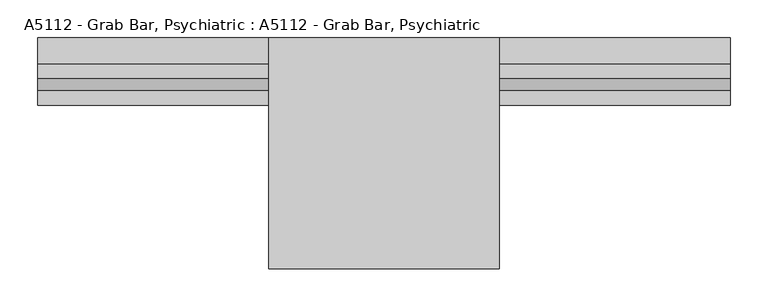
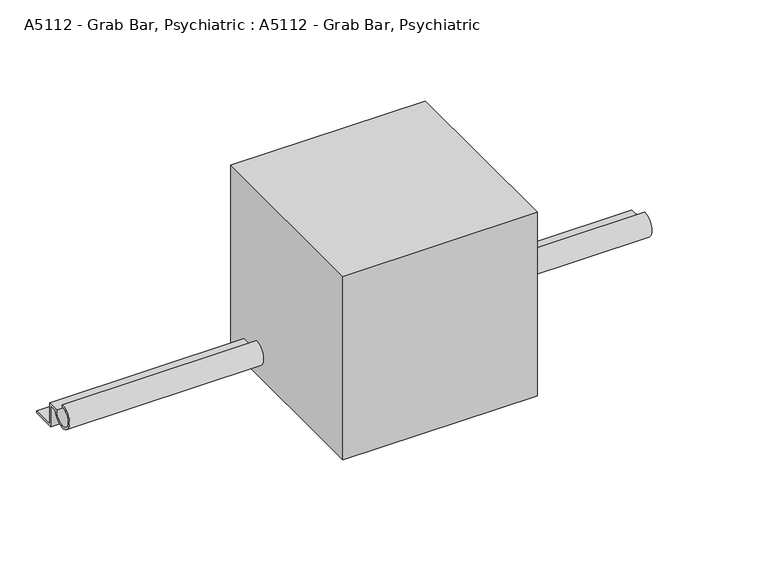
"""IFC4 building model written with IfcOpenShell, lengths in millimetres: proxy geometry, A5112 - Grab Bar, Psychiatric : A5112 - Grab Bar, Psychiatric."""

from ifc_helpers import new_model, si_unit, point, frame, frame_2d, origin, origin_with_axes, place, context, project, spatial, polyline, circle_curve, trimmed, segment, composite_curve, outline, extrude, source, transform, mapped, element, save


def a5112_grab_bar_psychiatric_a5112_grab_bar_psychiatric_7dda1819(model_context):
    return source(origin(), model_context, "Body", "SweptSolid", [
        extrude(outline(composite_curve([segment(polyline([(-38.1, 0.0), (-38.1, 34.925), (-50.8662611, 34.925)]), True, "CONTINUOUS"), segment(trimmed(circle_curve(frame_2d((-69.85, 36.5125)), 19.05), [point((-50.8662611, 34.925))], [point((-69.85, 55.5625))], False, "CARTESIAN"), True, "CONTINUOUS"), segment(polyline([(-69.85, 55.5625), (-69.85, 52.3875)]), True, "CONTINUOUS"), segment(trimmed(circle_curve(frame_2d((-69.85, 36.5125)), 15.875), [point((-69.85, 52.3875))], [point((-54.0545744, 38.1))], True, "CARTESIAN"), True, "CONTINUOUS"), segment(polyline([(-54.0545744, 38.1), (-34.925, 38.1), (-34.925, 3.175), (0.0, 3.175), (0.0, 0.0), (-38.1, 0.0)]), True, "CONTINUOUS")], self_intersect=False)), frame((-457.2, 0.0, 0.0), z_axis=(1.0, 0.0, 0.0), x_axis=(0.0, 1.0, 0.0)), (0.0, 0.0, 1.0), 914.4),
        extrude(outline(polyline([(152.4, -304.8), (-152.4, -304.8), (-152.4, 0.0), (152.4, 0.0), (152.4, -304.8)])), origin_with_axes(), (0.0, 0.0, 1.0), 304.8),
    ])


if __name__ == "__main__":
    model = new_model("IFC4")
    model_context = context("Model", 3, world=origin())
    ifc_project = project(units=[si_unit("LENGTHUNIT", "METRE", prefix="MILLI")], contexts=[model_context])
    site = spatial("IfcSite", under=ifc_project)
    building = spatial("IfcBuilding", under=site)
    placement = place(None, origin())
    a5112_grab_bar_psychiatric_a5112_grab_bar_psychiatric_shape = a5112_grab_bar_psychiatric_a5112_grab_bar_psychiatric_7dda1819(model_context)
    element("IfcBuildingElementProxy", 1, Name="A5112 - Grab Bar, Psychiatric : A5112 - Grab Bar, Psychiatric", ObjectType="A5112 - Grab Bar, Psychiatric : A5112 - Grab Bar, Psychiatric", at=placement, inside=building, context=model_context, shape_type="MappedRepresentation", body=[
        mapped(a5112_grab_bar_psychiatric_a5112_grab_bar_psychiatric_shape, transform((0.0, 0.0, 0.0), x_axis=(1.0, 0.0, 0.0), y_axis=(0.0, 1.0, 0.0), z_axis=(0.0, 0.0, 1.0))),
    ])
    save(model, "model.ifc")
